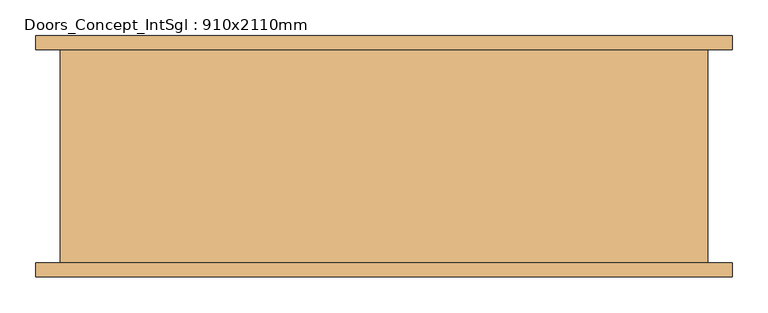
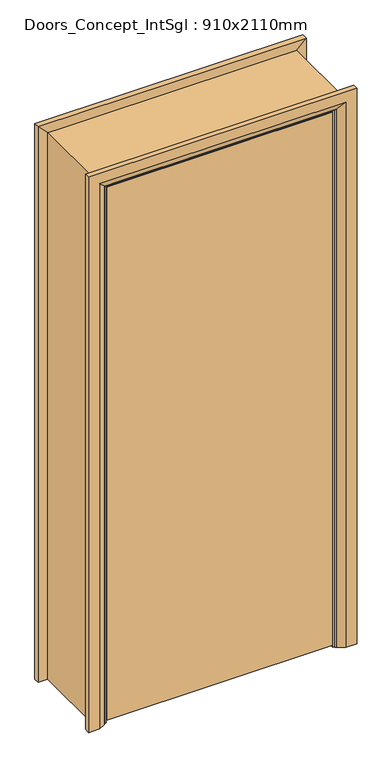
"""IFC4 building model written with IfcOpenShell, lengths in millimetres: door geometry, Doors_Concept_IntSgl : 910x2110mm."""

from ifc_helpers import new_model, si_unit, frame, origin, place, context, project, spatial, polyline, circle_curve, ellipse_curve, outline, extrude, faceted_brep, source, transform, mapped, element, save
from ifc_brep_helpers import plane_surface, cylinder_surface, advanced_brep


def doors_concept_intsgl_910x2110mm_6596e6f1(model_context):
    return source(origin(), model_context, "Body", "SolidModel", [
        extrude(outline(polyline([(413.0, -112.0), (413.0, -150.0), (-413.0, -150.0), (-413.0, -112.0), (413.0, -112.0)])), frame((0.0, 0.0, 8.0), z_axis=(0.0, 0.0, 1.0), x_axis=(1.0, 0.0, 0.0)), (0.0, 0.0, 1.0), 2060.0),
        advanced_brep(
        [(490.0, -170.0, 0.0), (450.0, -170.0, 0.0), (424.0, -156.0, 0.0), (420.0, -150.0, 0.0), (490.0, -150.0, 0.0), (490.0, -150.0, 2145.0), (490.0, -170.0, 2145.0), (420.0, -150.0, 2075.0), (-420.0, -150.0, 2075.0), (-420.0, -150.0, 0.0), (-490.0, -150.0, 0.0), (-490.0, -150.0, 2145.0), (424.0, -156.0, 2079.0), (450.0, -170.0, 2105.0), (-490.0, -170.0, 2145.0), (-490.0, -170.0, 0.0), (-450.0, -170.0, 0.0), (-450.0, -170.0, 2105.0), (-424.0, -156.0, 0.0), (-424.0, -156.0, 2079.0)],
        [
            (0, 1),
            (1, 2),
            (2, 3, circle_curve(frame((428.0, -149.0, 0.0), z_axis=(0.0, 0.0, -1.0), x_axis=(1.0, 0.0, 0.0)), 8.0622577)),
            (3, 4),
            (4, 0),
            (4, 5),
            (5, 6),
            (6, 0),
            (3, 7),
            (7, 8),
            (8, 9),
            (9, 10),
            (10, 11),
            (11, 5),
            (2, 12),
            (12, 7, ellipse_curve(frame((428.0, -149.0, 2083.0), z_axis=(0.7071067811865475, 0.0, -0.7071067811865475), x_axis=(-0.7071067811865474, 0.0, -0.7071067811865476)), 11.4017543, 8.0622577)),
            (1, 13),
            (13, 12),
            (6, 14),
            (14, 15),
            (15, 16),
            (16, 17),
            (17, 13),
            (10, 15),
            (14, 11),
            (9, 18, circle_curve(frame((-428.0, -149.0, 0.0), z_axis=(0.0, 0.0, -1.0), x_axis=(-1.0, 0.0, 0.0)), 8.0622577)),
            (18, 16),
            (19, 18),
            (8, 19, ellipse_curve(frame((-428.0, -149.0, 2083.0), z_axis=(-0.7071067811865475, 0.0, -0.7071067811865475), x_axis=(-0.7071067811865474, 0.0, 0.7071067811865476)), 11.4017543, 8.0622577)),
            (19, 17),
            (12, 19),
        ],
        [
            plane_surface(frame((420.0, -150.0, 0.0), z_axis=(0.0, 0.0, -1.0), x_axis=(0.0, 1.0, 0.0))),
            plane_surface(frame((490.0, -170.0, 0.0), z_axis=(1.0, 0.0, 0.0), x_axis=(0.0, 0.0, 1.0))),
            plane_surface(frame((490.0, -150.0, 0.0), z_axis=(0.0, 1.0, 0.0), x_axis=(0.0, 0.0, 1.0))),
            cylinder_surface(frame((428.0, -149.0, 0.0), z_axis=(0.0, 0.0, -1.0), x_axis=(1.0, 0.0, 0.0)), 8.0622577),
            plane_surface(frame((424.0, -156.0, 0.0), z_axis=(-0.4740998230350126, -0.880471099922178, 0.0), x_axis=(0.0, 0.0, 1.0))),
            plane_surface(frame((450.0, -170.0, 0.0), z_axis=(0.0, -1.0, 0.0), x_axis=(0.0, 0.0, 1.0))),
            plane_surface(frame((-490.0, -170.0, 2145.0), z_axis=(-1.0, 0.0, 0.0), x_axis=(0.0, 0.0, -1.0))),
            plane_surface(frame((-420.0, -150.0, 0.0), z_axis=(0.0, 0.0, -1.0), x_axis=(0.0, 1.0, 0.0))),
            cylinder_surface(frame((-428.0, -149.0, 2075.0), z_axis=(0.0, 0.0, 1.0), x_axis=(-1.0, 0.0, 0.0)), 8.0622577),
            plane_surface(frame((-424.0, -156.0, 2079.0), z_axis=(0.47409982303501824, -0.8804710999221749, 0.0), x_axis=(0.0, 0.0, -1.0))),
            plane_surface(frame((490.0, -170.0, 2145.0), z_axis=(0.0, 0.0, 1.0), x_axis=(-1.0, 0.0, 0.0))),
            cylinder_surface(frame((420.0, -149.0, 2083.0), z_axis=(1.0, 0.0, 0.0), x_axis=(0.0, 0.0, 1.0)), 8.0622577),
            plane_surface(frame((424.0, -156.0, 2079.0), z_axis=(0.0, -0.8804710999221764, -0.4740998230350154), x_axis=(-1.0, 0.0, 0.0))),
        ],
        [
            (0, [[1, 2, 3, 4, 5]]),
            (1, [[6, 7, 8, -5]]),
            (2, [[9, 10, 11, 12, 13, 14, -6, -4]]),
            (3, [[15, 16, -9, -3]]),
            (4, [[17, 18, -15, -2]]),
            (5, [[-8, 19, 20, 21, 22, 23, -17, -1]]),
            (6, [[-13, 24, -20, 25]]),
            (7, [[-24, -12, 26, 27, -21]]),
            (8, [[28, -26, -11, 29]]),
            (9, [[-22, -27, -28, 30]]),
            (10, [[-14, -25, -19, -7]]),
            (11, [[31, -29, -10, -16]]),
            (12, [[-23, -30, -31, -18]]),
        ],
    ),
        extrude(outline(polyline([(0.0, -396.0), (2051.0, -396.0), (2051.0, 396.0), (0.0, 396.0), (0.0, 415.0), (2070.0, 415.0), (2070.0, -415.0), (0.0, -415.0), (0.0, -396.0)])), frame((0.0, -110.0, 0.0), z_axis=(0.0, 1.0, 0.0), x_axis=(0.0, 0.0, 1.0)), (0.0, 0.0, 1.0), 32.0),
        advanced_brep(
        [(-490.0, 170.0, 0.0), (-450.0, 170.0, 0.0), (-424.0, 156.0, 0.0), (-420.0, 150.0, 0.0), (-490.0, 150.0, 0.0), (-490.0, 150.0, 2145.0), (-490.0, 170.0, 2145.0), (-420.0, 150.0, 2075.0), (-424.0, 156.0, 2079.0), (-450.0, 170.0, 2105.0), (490.0, 170.0, 0.0), (490.0, 150.0, 0.0), (420.0, 150.0, 0.0), (424.0, 156.0, 0.0), (450.0, 170.0, 0.0), (490.0, 170.0, 2145.0), (450.0, 170.0, 2105.0), (424.0, 156.0, 2079.0), (420.0, 150.0, 2075.0), (490.0, 150.0, 2145.0)],
        [
            (0, 1),
            (1, 2),
            (2, 3, circle_curve(frame((-428.0, 149.0, 0.0), z_axis=(0.0, 0.0, -1.0), x_axis=(-1.0, 0.0, 0.0)), 8.0622577)),
            (3, 4),
            (4, 0),
            (4, 5),
            (5, 6),
            (6, 0),
            (3, 7),
            (7, 5),
            (2, 8),
            (8, 7, ellipse_curve(frame((-428.0, 149.0, 2083.0), z_axis=(-0.7071067811865475, 0.0, -0.7071067811865475), x_axis=(0.7071067811865474, 0.0, -0.7071067811865476)), 11.4017543, 8.0622577)),
            (1, 9),
            (9, 8),
            (6, 9),
            (10, 11),
            (11, 12),
            (12, 13, circle_curve(frame((428.0, 149.0, 0.0), z_axis=(0.0, 0.0, -1.0), x_axis=(1.0, 0.0, 0.0)), 8.0622577)),
            (13, 14),
            (14, 10),
            (15, 10),
            (14, 16),
            (16, 15),
            (13, 17),
            (17, 16),
            (12, 18),
            (18, 17, ellipse_curve(frame((428.0, 149.0, 2083.0), z_axis=(0.7071067811865475, 0.0, -0.7071067811865475), x_axis=(0.7071067811865474, 0.0, 0.7071067811865476)), 11.4017543, 8.0622577)),
            (11, 19),
            (19, 18),
            (15, 19),
            (5, 19),
            (15, 6),
            (7, 18),
            (8, 17),
            (9, 16),
        ],
        [
            plane_surface(frame((-420.0, 222.8010989, 0.0), z_axis=(0.0, 0.0, -1.0), x_axis=(1.0, 0.0, 0.0))),
            plane_surface(frame((-490.0, 170.0, 0.0), z_axis=(-1.0, 0.0, 0.0), x_axis=(0.0, 0.0, 1.0))),
            plane_surface(frame((-490.0, 150.0, 0.0), z_axis=(0.0, -1.0, 0.0), x_axis=(0.0, 0.0, 1.0))),
            cylinder_surface(frame((-428.0, 149.0, 0.0), z_axis=(0.0, 0.0, -1.0), x_axis=(-1.0, 0.0, 0.0)), 8.0622577),
            plane_surface(frame((-424.0, 156.0, 0.0), z_axis=(0.4740998230350183, 0.8804710999221749, 0.0), x_axis=(0.0, 0.0, 1.0))),
            plane_surface(frame((-450.0, 170.0, 0.0), z_axis=(0.0, 1.0, 0.0), x_axis=(0.0, 0.0, 1.0))),
            plane_surface(frame((420.0, 222.8010989, 0.0), z_axis=(0.0, 0.0, -1.0), x_axis=(-1.0, 0.0, 0.0))),
            plane_surface(frame((450.0, 170.0, 2105.0), z_axis=(0.0, 1.0, 0.0), x_axis=(0.0, 0.0, -1.0))),
            plane_surface(frame((424.0, 156.0, 2079.0), z_axis=(-0.4740998230350183, 0.8804710999221749, 0.0), x_axis=(0.0, 0.0, -1.0))),
            cylinder_surface(frame((428.0, 149.0, 2075.0), z_axis=(0.0, 0.0, 1.0), x_axis=(1.0, 0.0, 0.0)), 8.0622577),
            plane_surface(frame((490.0, 150.0, 2145.0), z_axis=(0.0, -1.0, 0.0), x_axis=(0.0, 0.0, -1.0))),
            plane_surface(frame((490.0, 170.0, 2145.0), z_axis=(1.0, 0.0, 0.0), x_axis=(0.0, 0.0, -1.0))),
            plane_surface(frame((-490.0, 170.0, 2145.0), z_axis=(0.0, 0.0, 1.0), x_axis=(1.0, 0.0, 0.0))),
            plane_surface(frame((-490.0, 150.0, 2145.0), z_axis=(0.0, -1.0, 0.0), x_axis=(1.0, 0.0, 0.0))),
            cylinder_surface(frame((-420.0, 149.0, 2083.0), z_axis=(-1.0, 0.0, 0.0), x_axis=(0.0, 0.0, 1.0)), 8.0622577),
            plane_surface(frame((-424.0, 156.0, 2079.0), z_axis=(0.0, 0.8804710999221749, -0.4740998230350183), x_axis=(1.0, 0.0, 0.0))),
            plane_surface(frame((-450.0, 170.0, 2105.0), z_axis=(0.0, 1.0, 0.0), x_axis=(1.0, 0.0, 0.0))),
        ],
        [
            (0, [[1, 2, 3, 4, 5]]),
            (1, [[6, 7, 8, -5]]),
            (2, [[9, 10, -6, -4]]),
            (3, [[11, 12, -9, -3]]),
            (4, [[13, 14, -11, -2]]),
            (5, [[-8, 15, -13, -1]]),
            (6, [[16, 17, 18, 19, 20]]),
            (7, [[21, -20, 22, 23]]),
            (8, [[-22, -19, 24, 25]]),
            (9, [[-24, -18, 26, 27]]),
            (10, [[-26, -17, 28, 29]]),
            (11, [[-28, -16, -21, 30]]),
            (12, [[31, -30, 32, -7]]),
            (13, [[33, -29, -31, -10]]),
            (14, [[34, -27, -33, -12]]),
            (15, [[35, -25, -34, -14]]),
            (16, [[-32, -23, -35, -15]]),
        ],
    ),
        faceted_brep([(-415.0, 150.0, 0.0), (-415.0, -150.0, 0.0), (-455.0, -150.0, 0.0), (-455.0, 150.0, 0.0), (-455.0, 150.0, 2110.0), (-415.0, 150.0, 2070.0), (-455.0, -150.0, 2110.0), (-415.0, -150.0, 2070.0), (415.0, 150.0, 0.0), (455.0, 150.0, 0.0), (455.0, -150.0, 0.0), (415.0, -150.0, 0.0), (415.0, 150.0, 2070.0), (415.0, -150.0, 2070.0), (455.0, -150.0, 2110.0), (455.0, 150.0, 2110.0)], [[[0, 1, 2, 3]], [[3, 4, 5, 0]], [[2, 6, 4, 3]], [[1, 7, 6, 2]], [[0, 5, 7, 1]], [[8, 9, 10, 11]], [[12, 8, 11, 13]], [[13, 11, 10, 14]], [[14, 10, 9, 15]], [[15, 9, 8, 12]], [[4, 15, 12, 5]], [[6, 14, 15, 4]], [[7, 13, 14, 6]], [[5, 12, 13, 7]]]),
    ])


if __name__ == "__main__":
    model = new_model("IFC4")
    model_context = context("Model", 3, world=origin())
    ifc_project = project(units=[si_unit("LENGTHUNIT", "METRE", prefix="MILLI")], contexts=[model_context])
    site = spatial("IfcSite", under=ifc_project)
    building = spatial("IfcBuilding", under=site)
    placement = place(None, origin())
    doors_concept_intsgl_910x2110mm_shape = doors_concept_intsgl_910x2110mm_6596e6f1(model_context)
    element("IfcDoor", 1, ObjectType="Doors_Concept_IntSgl : 910x2110mm", at=placement, inside=building, context=model_context, shape_type="MappedRepresentation", body=[
        mapped(doors_concept_intsgl_910x2110mm_shape, transform((0.0, 0.0, 0.0), x_axis=(1.0, 0.0, 0.0), y_axis=(0.0, 1.0, 0.0), z_axis=(0.0, 0.0, 1.0))),
    ])
    save(model, "model.ifc")
